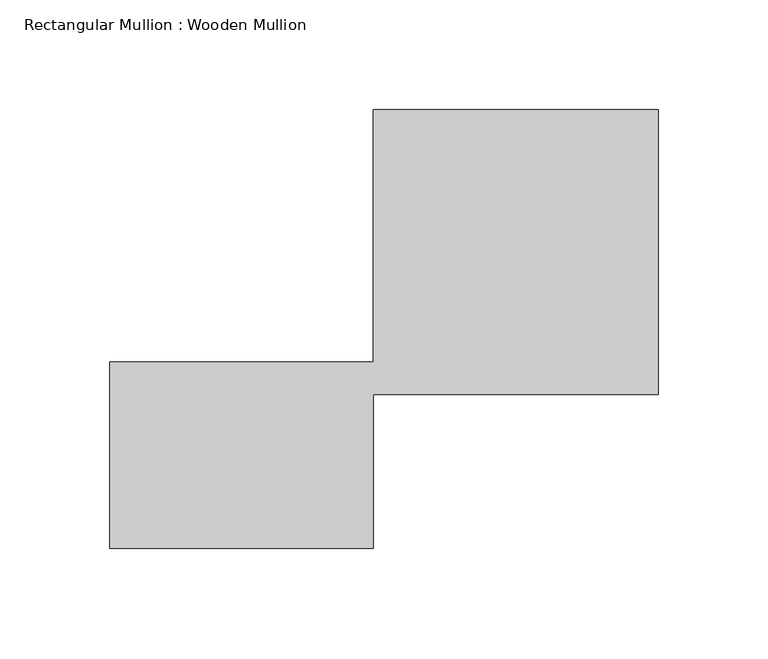
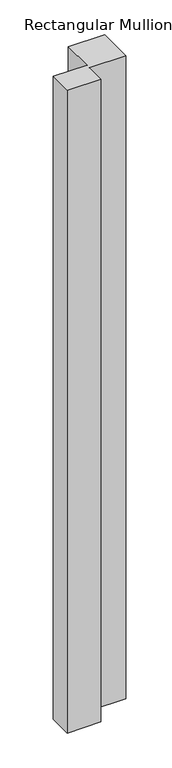
"""IFC4 building model written with IfcOpenShell, lengths in millimetres: member geometry, Rectangular Mullion : Wooden Mullion."""

from ifc_helpers import new_model, si_unit, frame, origin, place, context, project, spatial, polyline, outline, extrude, source, transform, mapped, element, save


def rectangular_mullion_wooden_mullion_4ad970dc(model_context):
    return source(origin(), model_context, "Body", "SweptSolid", [
        extrude(outline(polyline([(74.8100006, -26.0137344), (-45.1899994, -26.0137344), (-45.1899994, 58.9862656), (74.8100006, 58.9862656), (74.8100006, 173.9862656), (204.8100006, 173.9862656), (204.8100006, 43.9862656), (74.8100006, 43.9862656), (74.8100006, -26.0137344)])), frame((0.0, 0.0, -2432.0873952), z_axis=(0.0, 0.0, 1.0), x_axis=(1.0, 0.0, 0.0)), (0.0, 0.0, 1.0), 2432.0873952),
    ])


if __name__ == "__main__":
    model = new_model("IFC4")
    model_context = context("Model", 3, world=origin())
    ifc_project = project(units=[si_unit("LENGTHUNIT", "METRE", prefix="MILLI")], contexts=[model_context])
    site = spatial("IfcSite", under=ifc_project)
    building = spatial("IfcBuilding", under=site)
    placement = place(None, origin())
    rectangular_mullion_wooden_mullion_shape = rectangular_mullion_wooden_mullion_4ad970dc(model_context)
    element("IfcMember", 1, ObjectType="Rectangular Mullion : Wooden Mullion", at=placement, inside=building, context=model_context, shape_type="MappedRepresentation", body=[
        mapped(rectangular_mullion_wooden_mullion_shape, transform((0.0, 0.0, 0.0), x_axis=(1.0, 0.0, 0.0), y_axis=(0.0, 1.0, 0.0), z_axis=(0.0, 0.0, 1.0))),
    ])
    save(model, "model.ifc")
